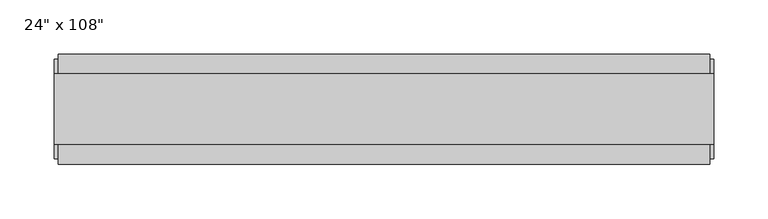
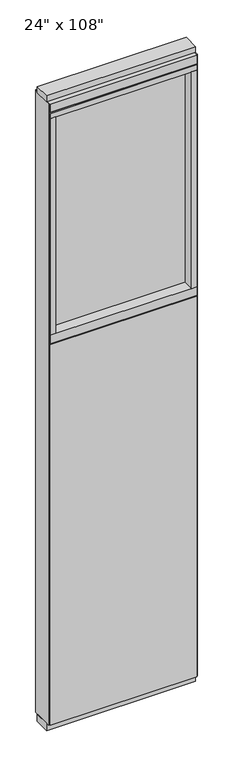
"""IFC4 building model written with IfcOpenShell, lengths in millimetres: furniture geometry."""

from ifc_helpers import new_model, si_unit, frame, origin, origin_with_axes, place, context, project, spatial, polyline, outline, extrude, source, transform, mapped, element, save


def furniture_b998a0bd(model_context):
    return source(origin(), model_context, "Body", "SweptSolid", [
        extrude(outline(polyline([(240.8264771, 46.2822784), (240.8264771, 33.5822784), (-360.8995229, 33.5822784), (-360.8995229, 46.2822784), (240.8264771, 46.2822784)])), frame((0.0, 0.0, 31.75), z_axis=(0.0, 0.0, 1.0), x_axis=(1.0, 0.0, 0.0)), (0.0, 0.0, 1.0), 1644.65),
        extrude(outline(polyline([(240.8264771, -55.3177216), (-360.8995229, -55.3177216), (-360.8995229, -42.6177216), (240.8264771, -42.6177216), (240.8264771, -55.3177216)])), frame((0.0, 0.0, 31.75), z_axis=(0.0, 0.0, 1.0), x_axis=(1.0, 0.0, 0.0)), (0.0, 0.0, 1.0), 1644.65),
        extrude(outline(polyline([(218.6014771, -9.5977216), (-338.6745229, -9.5977216), (-338.6745229, 0.5622784), (218.6014771, 0.5622784), (218.6014771, -9.5977216)])), frame((0.0, 0.0, 1717.675), z_axis=(0.0, 0.0, 1.0), x_axis=(1.0, 0.0, 0.0)), (0.0, 0.0, 1.0), 936.625),
        extrude(outline(polyline([(218.6014771, -55.3177216), (218.6014771, 46.2822784), (240.8264771, 46.2822784), (240.8264771, -55.3177216), (218.6014771, -55.3177216)])), frame((0.0, 0.0, 1717.675), z_axis=(0.0, 0.0, 1.0), x_axis=(1.0, 0.0, 0.0)), (0.0, 0.0, 1.0), 936.625),
        extrude(outline(polyline([(-55.3177216, 1681.353), (-55.3177216, 1717.675), (46.2822784, 1717.675), (46.2822784, 1681.353), (41.3292784, 1681.353), (41.3292784, 1676.4), (-50.3647216, 1676.4), (-50.3647216, 1681.353), (-55.3177216, 1681.353)])), frame((-360.8995229, 0.0, 0.0), z_axis=(1.0, 0.0, 0.0), x_axis=(0.0, 1.0, 0.0)), (0.0, 0.0, 1.0), 601.726),
        extrude(outline(polyline([(-338.6745229, -55.3177216), (-360.8995229, -55.3177216), (-360.8995229, 46.2822784), (-338.6745229, 46.2822784), (-338.6745229, -55.3177216)])), frame((0.0, 0.0, 1717.675), z_axis=(0.0, 0.0, 1.0), x_axis=(1.0, 0.0, 0.0)), (0.0, 0.0, 1.0), 936.625),
        extrude(outline(polyline([(244.7634771, 27.9942784), (244.7634771, -37.0297216), (-364.8365229, -37.0297216), (-364.8365229, 27.9942784), (244.7634771, 27.9942784)])), origin_with_axes(), (0.0, 0.0, 1.0), 31.75),
        extrude(outline(polyline([(-364.8365229, -37.0297216), (-364.8365229, 27.9942784), (244.7634771, 27.9942784), (244.7634771, -37.0297216), (-364.8365229, -37.0297216)])), frame((0.0, 0.0, 2717.8), z_axis=(0.0, 0.0, 1.0), x_axis=(1.0, 0.0, 0.0)), (0.0, 0.0, 1.0), 25.4),
        extrude(outline(polyline([(-55.3177216, 2681.478), (-55.3177216, 2717.8), (46.2822784, 2717.8), (46.2822784, 2681.478), (41.3292784, 2681.478), (41.3292784, 2676.525), (-50.3647216, 2676.525), (-50.3647216, 2681.478), (-55.3177216, 2681.478)])), frame((-360.8995229, 0.0, 0.0), z_axis=(1.0, 0.0, 0.0), x_axis=(0.0, 1.0, 0.0)), (0.0, 0.0, 1.0), 601.726),
        extrude(outline(polyline([(240.8264771, 46.2822784), (240.8264771, -55.3177216), (-360.8995229, -55.3177216), (-360.8995229, 46.2822784), (240.8264771, 46.2822784)])), frame((0.0, 0.0, 2654.3), z_axis=(0.0, 0.0, 1.0), x_axis=(1.0, 0.0, 0.0)), (0.0, 0.0, 1.0), 22.225),
        extrude(outline(polyline([(244.7634771, -50.3647216), (240.8264771, -50.3647216), (240.8264771, 41.3292784), (244.7634771, 41.3292784), (244.7634771, -50.3647216)])), frame((0.0, 0.0, 31.75), z_axis=(0.0, 0.0, 1.0), x_axis=(1.0, 0.0, 0.0)), (0.0, 0.0, 1.0), 2686.05),
        extrude(outline(polyline([(-364.8365229, -50.3647216), (-364.8365229, 41.3292784), (-360.8995229, 41.3292784), (-360.8995229, -50.3647216), (-364.8365229, -50.3647216)])), frame((0.0, 0.0, 31.75), z_axis=(0.0, 0.0, 1.0), x_axis=(1.0, 0.0, 0.0)), (0.0, 0.0, 1.0), 2686.05),
    ])


if __name__ == "__main__":
    model = new_model("IFC4")
    model_context = context("Model", 3, world=origin())
    ifc_project = project(units=[si_unit("LENGTHUNIT", "METRE", prefix="MILLI")], contexts=[model_context])
    site = spatial("IfcSite", under=ifc_project)
    building = spatial("IfcBuilding", under=site)
    placement = place(None, origin())
    furniture_shape = furniture_b998a0bd(model_context)
    element("IfcFurniture", 1, ObjectType="24\" x 108\"", at=placement, inside=building, context=model_context, shape_type="MappedRepresentation", body=[
        mapped(furniture_shape, transform((0.0, 0.0, 0.0), x_axis=(1.0, 0.0, 0.0), y_axis=(0.0, 1.0, 0.0), z_axis=(0.0, 0.0, 1.0))),
    ])
    save(model, "model.ifc")
